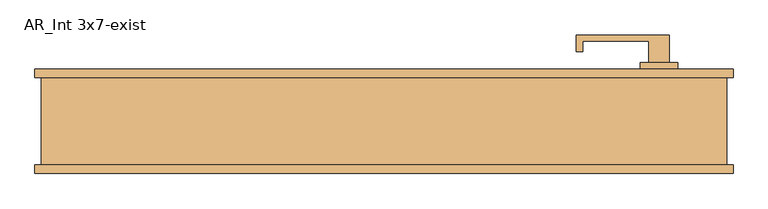
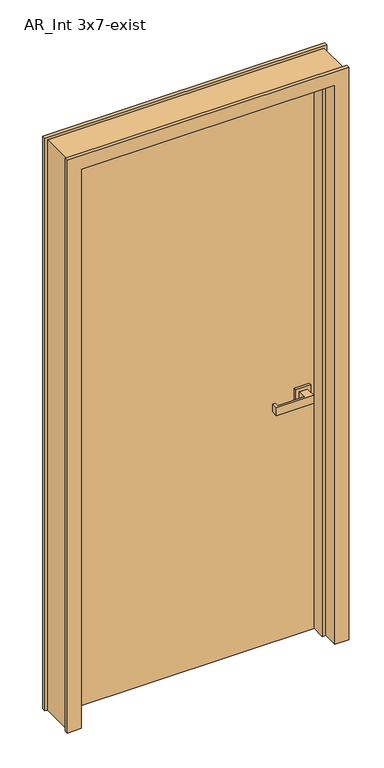
"""IFC4 building model written with IfcOpenShell, lengths in millimetres: door geometry, AR_Int 3x7-exist."""

from ifc_helpers import new_model, si_unit, frame, origin, origin_with_axes, place, context, project, spatial, polyline, outline, extrude, faceted_brep, source, transform, mapped, element, save


def ar_int_3x7_exist_081e2f4a(model_context):
    return source(origin(), model_context, "Body", "SolidModel", [
        faceted_brep([(-406.5493445, 78.4545325, 0.0), (-355.7493445, 78.4545325, 0.0), (-355.7493445, 34.0045325, 0.0), (-343.0493445, 34.0045325, 0.0), (-343.0493445, -16.7954675, 0.0), (-355.7493445, -16.7954675, 0.0), (-355.7493445, -73.9454675, 0.0), (-406.5493445, -73.9454675, 0.0), (-406.5493445, -61.2454675, 0.0), (-397.0243445, -61.2454675, 0.0), (-397.0243445, 65.7545325, 0.0), (-406.5493445, 65.7545325, 0.0), (-355.7493445, 78.4545325, 2133.6), (-355.7493445, 34.0045325, 2133.6), (-343.0493445, 34.0045325, 2120.9), (-343.0493445, -16.7954675, 2120.9), (-355.7493445, -16.7954675, 2133.6), (-355.7493445, -73.9454675, 2133.6), (609.4506555, 78.4545325, 0.0), (609.4506555, 78.4545325, 2184.4), (609.4506555, 65.7545325, 2184.4), (609.4506555, 65.7545325, 0.0), (609.4506555, -73.9454675, 2184.4), (609.4506555, -73.9454675, 0.0), (609.4506555, -61.2454675, 0.0), (609.4506555, -61.2454675, 2184.4), (558.6506555, -73.9454675, 2133.6), (558.6506555, -73.9454675, 0.0), (-406.5493445, -73.9454675, 2184.4), (558.6506555, -16.7954675, 0.0), (545.9506555, -16.7954675, 0.0), (545.9506555, 34.0045325, 0.0), (558.6506555, 34.0045325, 0.0), (558.6506555, 78.4545325, 0.0), (599.9256555, 65.7545325, 0.0), (599.9256555, -61.2454675, 0.0), (-406.5493445, 78.4545325, 2184.4), (558.6506555, 78.4545325, 2133.6), (-406.5493445, -61.2454675, 2184.4), (-406.5493445, 65.7545325, 2184.4), (558.6506555, -16.7954675, 2133.6), (545.9506555, -16.7954675, 2120.9), (545.9506555, 34.0045325, 2120.9), (558.6506555, 34.0045325, 2133.6), (599.9256555, 65.7545325, 2174.875), (-397.0243445, 65.7545325, 2174.875), (599.9256555, -61.2454675, 2174.875), (-397.0243445, -61.2454675, 2174.875)], [[[0, 1, 2, 3, 4, 5, 6, 7, 8, 9, 10, 11]], [[2, 1, 12, 13]], [[4, 3, 14, 15]], [[6, 5, 16, 17]], [[18, 19, 20, 21]], [[22, 23, 24, 25]], [[7, 6, 17, 26, 27, 23, 22, 28]], [[23, 27, 29, 30, 31, 32, 33, 18, 21, 34, 35, 24]], [[1, 0, 36, 19, 18, 33, 37, 12]], [[7, 28, 38, 8]], [[36, 0, 11, 39]], [[29, 27, 26, 40]], [[5, 4, 15, 41, 30, 29, 40, 16]], [[31, 30, 41, 42]], [[3, 2, 13, 43, 32, 31, 42, 14]], [[33, 32, 43, 37]], [[28, 22, 25, 38]], [[19, 36, 39, 20]], [[17, 16, 40, 26]], [[15, 14, 42, 41]], [[13, 12, 37, 43]], [[44, 34, 21, 20, 39, 11, 10, 45]], [[35, 46, 47, 9, 8, 38, 25, 24]], [[45, 10, 9, 47]], [[34, 44, 46, 35]], [[46, 44, 45, 47]]]),
        extrude(outline(polyline([(516.5006555, -15.9954675), (381.5006555, -15.9954675), (381.5006555, 8.0045325), (390.5006555, 8.0045325), (390.5006555, -6.9954675), (486.5006555, -6.9954675), (486.5006555, 24.0045325), (516.5006555, 24.0045325), (516.5006555, -15.9954675)])), frame((0.0, 0.0, 899.4), z_axis=(0.0, 0.0, 1.0), x_axis=(1.0, 0.0, 0.0)), (0.0, 0.0, 1.0), 30.0),
        extrude(outline(polyline([(474.0006555, 24.0045325), (474.0006555, 34.0045325), (529.0006555, 34.0045325), (529.0006555, 24.0045325), (474.0006555, 24.0045325)])), frame((0.0, 0.0, 886.9), z_axis=(0.0, 0.0, 1.0), x_axis=(1.0, 0.0, 0.0)), (0.0, 0.0, 1.0), 55.0),
        extrude(outline(polyline([(516.5006555, 128.4545325), (516.5006555, 88.4545325), (486.5006555, 88.4545325), (486.5006555, 119.4545325), (390.5006555, 119.4545325), (390.5006555, 104.4545325), (381.5006555, 104.4545325), (381.5006555, 128.4545325), (516.5006555, 128.4545325)])), frame((0.0, 0.0, 899.4), z_axis=(0.0, 0.0, 1.0), x_axis=(1.0, 0.0, 0.0)), (0.0, 0.0, 1.0), 30.0),
        extrude(outline(polyline([(474.0006555, 88.4545325), (529.0006555, 88.4545325), (529.0006555, 78.4545325), (474.0006555, 78.4545325), (474.0006555, 88.4545325)])), frame((0.0, 0.0, 886.9), z_axis=(0.0, 0.0, 1.0), x_axis=(1.0, 0.0, 0.0)), (0.0, 0.0, 1.0), 55.0),
        extrude(outline(polyline([(-355.7493445, 78.4545325), (558.6506555, 78.4545325), (558.6506555, 34.0045325), (-355.7493445, 34.0045325), (-355.7493445, 78.4545325)])), origin_with_axes(), (0.0, 0.0, 1.0), 2133.6),
    ])


if __name__ == "__main__":
    model = new_model("IFC4")
    model_context = context("Model", 3, world=origin())
    ifc_project = project(units=[si_unit("LENGTHUNIT", "METRE", prefix="MILLI")], contexts=[model_context])
    site = spatial("IfcSite", under=ifc_project)
    building = spatial("IfcBuilding", under=site)
    placement = place(None, origin())
    ar_int_3x7_exist_shape = ar_int_3x7_exist_081e2f4a(model_context)
    element("IfcDoor", 1, ObjectType="AR_Int 3x7-exist", at=placement, inside=building, context=model_context, shape_type="MappedRepresentation", body=[
        mapped(ar_int_3x7_exist_shape, transform((0.0, 0.0, 0.0), x_axis=(1.0, 0.0, 0.0), y_axis=(0.0, 1.0, 0.0), z_axis=(0.0, 0.0, 1.0))),
    ])
    save(model, "model.ifc")
